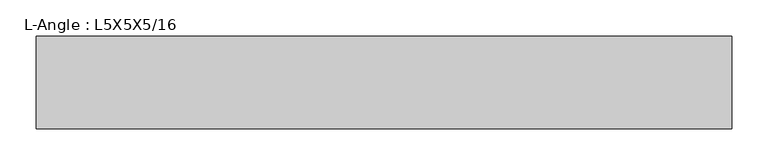
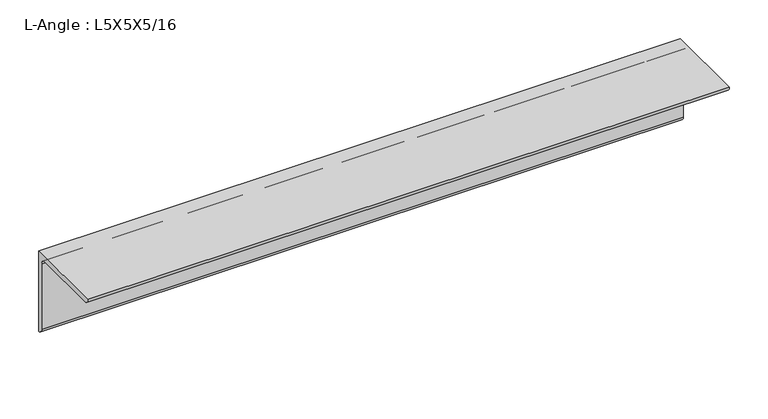
"""IFC4 building model written with IfcOpenShell, lengths in millimetres: beam geometry, L-Angle : L5X5X5/16."""

from ifc_helpers import new_model, si_unit, point, frame, frame_2d, origin, place, context, project, spatial, polyline, circle_curve, trimmed, segment, composite_curve, outline, extrude, source, transform, mapped, element, save


def l_angle_l5x5x5_16_01e0c16f(model_context):
    return source(origin(), model_context, "Body", "SweptSolid", [
        extrude(outline(composite_curve([segment(polyline([(34.3296875, 34.3296875), (34.3296875, -92.6703125)]), True, "CONTINUOUS"), segment(trimmed(circle_curve(frame_2d((34.3296875, -84.7328125)), 7.9375), [point((34.3296875, -92.6703125))], [point((26.3921875, -84.7328125))], False, "CARTESIAN"), True, "CONTINUOUS"), segment(polyline([(26.3921875, -84.7328125), (26.3921875, 18.4546875)]), True, "CONTINUOUS"), segment(trimmed(circle_curve(frame_2d((18.4546875, 18.4546875)), 7.9375), [point((26.3921875, 18.4546875))], [point((18.4546875, 26.3921875))], True, "CARTESIAN"), True, "CONTINUOUS"), segment(polyline([(18.4546875, 26.3921875), (-84.7328125, 26.3921875)]), True, "CONTINUOUS"), segment(trimmed(circle_curve(frame_2d((-84.7328125, 34.3296875)), 7.9375), [point((-84.7328125, 26.3921875))], [point((-92.6703125, 34.3296875))], False, "CARTESIAN"), True, "CONTINUOUS"), segment(polyline([(-92.6703125, 34.3296875), (34.3296875, 34.3296875)]), True, "CONTINUOUS")], self_intersect=False)), frame((-478.8296875, 0.0, 0.0), z_axis=(1.0, 0.0, 0.0), x_axis=(0.0, 1.0, 0.0)), (0.0, 0.0, 1.0), 957.659375),
    ])


if __name__ == "__main__":
    model = new_model("IFC4")
    model_context = context("Model", 3, world=origin())
    ifc_project = project(units=[si_unit("LENGTHUNIT", "METRE", prefix="MILLI")], contexts=[model_context])
    site = spatial("IfcSite", under=ifc_project)
    building = spatial("IfcBuilding", under=site)
    placement = place(None, origin())
    l_angle_l5x5x5_16_shape = l_angle_l5x5x5_16_01e0c16f(model_context)
    element("IfcBeam", 1, ObjectType="L-Angle : L5X5X5/16", at=placement, inside=building, context=model_context, shape_type="MappedRepresentation", body=[
        mapped(l_angle_l5x5x5_16_shape, transform((0.0, 0.0, 0.0), x_axis=(1.0, 0.0, 0.0), y_axis=(0.0, 1.0, 0.0), z_axis=(0.0, 0.0, 1.0))),
    ])
    save(model, "model.ifc")
